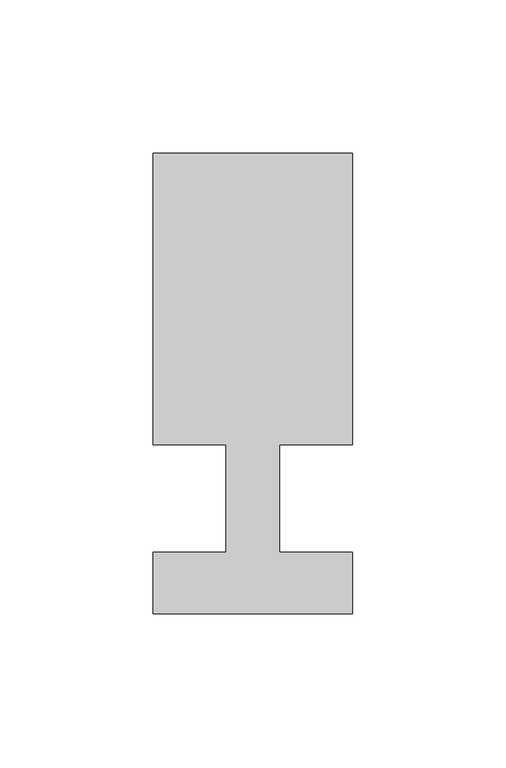
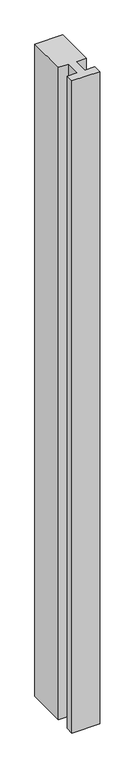
"""IFC4 building model written with IfcOpenShell, lengths in millimetres: member geometry."""

from ifc_helpers import new_model, si_unit, frame, origin, place, context, project, spatial, polyline, outline, extrude, source, transform, mapped, element, save


def member_30baedb2(model_context):
    return source(origin(), model_context, "Body", "SweptSolid", [
        extrude(outline(polyline([(0.0, -37.0), (-65.0, -37.0), (-65.0, -17.0), (-41.1875, -17.0), (-41.1875, 18.0), (-65.0, 18.0), (-65.0, 113.0), (0.0, 113.0), (0.0, 18.0), (-23.8125, 18.0), (-23.8125, -17.0), (0.0, -17.0), (0.0, -37.0)])), frame((0.0, 0.0, -1611.1875), z_axis=(0.0, 0.0, 1.0), x_axis=(1.0, 0.0, 0.0)), (0.0, 0.0, 1.0), 1611.1875),
    ])


if __name__ == "__main__":
    model = new_model("IFC4")
    model_context = context("Model", 3, world=origin())
    ifc_project = project(units=[si_unit("LENGTHUNIT", "METRE", prefix="MILLI")], contexts=[model_context])
    site = spatial("IfcSite", under=ifc_project)
    building = spatial("IfcBuilding", under=site)
    placement = place(None, origin())
    member_shape = member_30baedb2(model_context)
    element("IfcMember", 1, at=placement, inside=building, context=model_context, shape_type="MappedRepresentation", body=[
        mapped(member_shape, transform((0.0, 0.0, 0.0), x_axis=(1.0, 0.0, 0.0), y_axis=(0.0, 1.0, 0.0), z_axis=(0.0, 0.0, 1.0))),
    ])
    save(model, "model.ifc")
